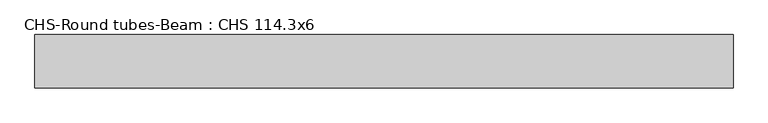
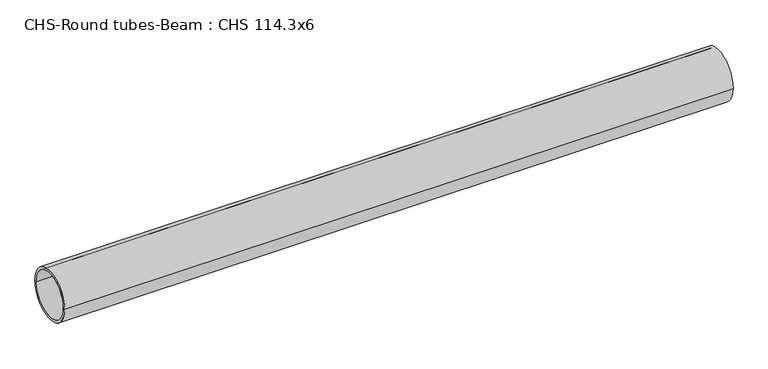
"""IFC4 building model written with IfcOpenShell, lengths in millimetres: beam geometry, CHS-Round tubes-Beam : CHS 114.3x6."""

from ifc_helpers import new_model, si_unit, point, frame, origin, origin_2d, place, context, project, spatial, circle_curve, trimmed, segment, composite_curve, outline, extrude, source, transform, mapped, element, save


def chs_round_tubes_beam_chs_114_3x6_1d0312b5(model_context):
    return source(origin(), model_context, "Body", "SweptSolid", [
        extrude(outline(composite_curve([segment(trimmed(circle_curve(origin_2d(), 57.15), [point((57.15, 0.0))], [point((-57.15, 0.0))], False, "CARTESIAN"), True, "CONTINUOUS"), segment(trimmed(circle_curve(origin_2d(), 57.15), [point((-57.15, 0.0))], [point((57.15, 0.0))], False, "CARTESIAN"), True, "CONTINUOUS")], self_intersect=False), holes=[composite_curve([segment(trimmed(circle_curve(origin_2d(), 51.15), [point((51.15, 0.0))], [point((-51.15, 0.0))], True, "CARTESIAN"), True, "CONTINUOUS"), segment(trimmed(circle_curve(origin_2d(), 51.15), [point((-51.15, 0.0))], [point((51.15, 0.0))], True, "CARTESIAN"), True, "CONTINUOUS")], self_intersect=False)]), frame((-756.3147809, 0.0, 0.0), z_axis=(1.0, 0.0, 0.0), x_axis=(0.0, 1.0, 0.0)), (0.0, 0.0, 1.0), 1492.1714539),
    ])


if __name__ == "__main__":
    model = new_model("IFC4")
    model_context = context("Model", 3, world=origin())
    ifc_project = project(units=[si_unit("LENGTHUNIT", "METRE", prefix="MILLI")], contexts=[model_context])
    site = spatial("IfcSite", under=ifc_project)
    building = spatial("IfcBuilding", under=site)
    placement = place(None, origin())
    chs_round_tubes_beam_chs_114_3x6_shape = chs_round_tubes_beam_chs_114_3x6_1d0312b5(model_context)
    element("IfcBeam", 1, ObjectType="CHS-Round tubes-Beam : CHS 114.3x6", at=placement, inside=building, context=model_context, shape_type="MappedRepresentation", body=[
        mapped(chs_round_tubes_beam_chs_114_3x6_shape, transform((0.0, 0.0, 0.0), x_axis=(1.0, 0.0, 0.0), y_axis=(0.0, 1.0, 0.0), z_axis=(0.0, 0.0, 1.0))),
    ])
    save(model, "model.ifc")
